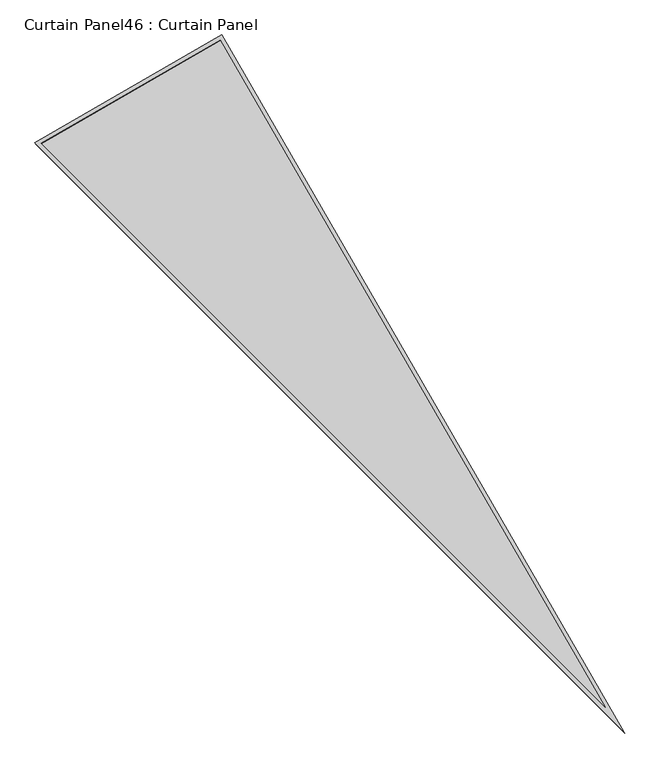
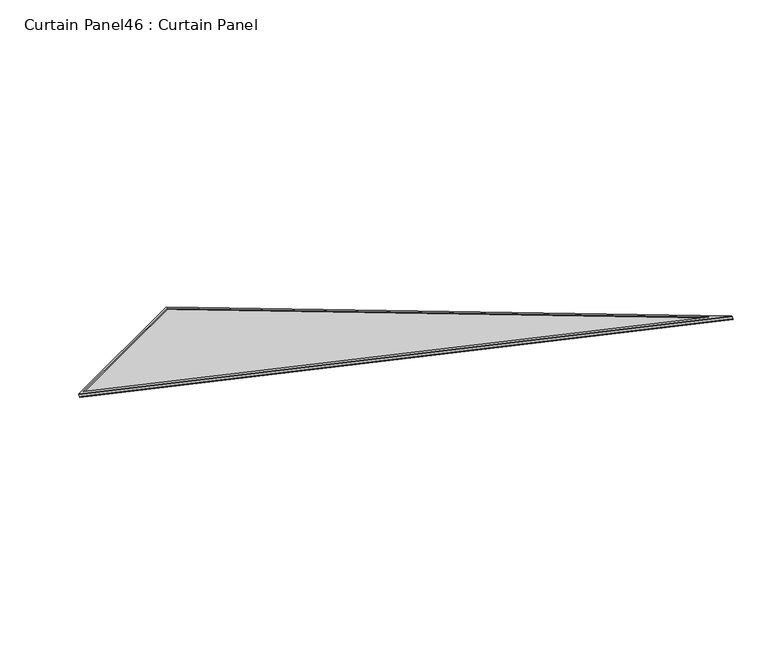
"""IFC4 building model written with IfcOpenShell, lengths in millimetres: plate geometry, Curtain Panel46 : Curtain Panel."""

from ifc_helpers import new_model, si_unit, frame, origin, place, context, project, spatial, polyline, outline, extrude, source, transform, mapped, element, save


def curtain_panel46_curtain_panel_ce3c964c(model_context):
    return source(origin(), model_context, "Body", "SweptSolid", [
        extrude(outline(polyline([(895.917553, 0.0), (895.917553, -3524.3727628), (0.0, 0.0), (895.917553, 0.0)]), holes=[polyline([(885.6047551, -10.3127979), (13.2623702, -10.3127978), (885.6047551, -3441.9452407), (885.6047551, -10.3127979)])]), frame((7430.0620089, 6210.7479208, 881.9772337), z_axis=(-0.15807291198689885, 0.2737903148616796, 0.9487106081329146), x_axis=(0.8660254037844438, 0.499999999999991, 0.0)), (0.0, 0.0, 1.0), 4.8085375),
        extrude(outline(polyline([(895.917553, 0.0), (895.917553, -3524.3727629), (0.0, 0.0), (895.917553, 0.0)]), holes=[polyline([(879.2547551, -16.6627979), (21.4285394, -16.6627978), (879.2547551, -3391.1913356), (879.2547551, -16.6627979)])]), frame((7427.2829781, 6215.5613433, 898.6562202), z_axis=(-0.1580729119868991, 0.27379031486167993, 0.9487106081329144), x_axis=(0.8660254037844437, 0.49999999999999123, 0.0)), (0.0, 0.0, 1.0), 4.8780661),
        extrude(outline(polyline([(20.2034564, 0.0), (916.1210094, 0.0), (916.1210095, -3524.3727628), (20.2034564, 0.0)])), frame((7411.8360717, 6201.9092571, 886.3538776), z_axis=(-0.15807291198689918, 0.2737903148616805, 0.9487106081329142), x_axis=(0.8660254037844443, 0.49999999999999034, 0.0)), (0.0, 0.0, 1.0), 12.9674343),
    ])


if __name__ == "__main__":
    model = new_model("IFC4")
    model_context = context("Model", 3, world=origin())
    ifc_project = project(units=[si_unit("LENGTHUNIT", "METRE", prefix="MILLI")], contexts=[model_context])
    site = spatial("IfcSite", under=ifc_project)
    building = spatial("IfcBuilding", under=site)
    placement = place(None, origin())
    curtain_panel46_curtain_panel_shape = curtain_panel46_curtain_panel_ce3c964c(model_context)
    element("IfcPlate", 1, ObjectType="Curtain Panel46 : Curtain Panel", at=placement, inside=building, context=model_context, shape_type="MappedRepresentation", body=[
        mapped(curtain_panel46_curtain_panel_shape, transform((0.0, 0.0, 0.0), x_axis=(1.0, 0.0, 0.0), y_axis=(0.0, 1.0, 0.0), z_axis=(0.0, 0.0, 1.0))),
    ])
    save(model, "model.ifc")
